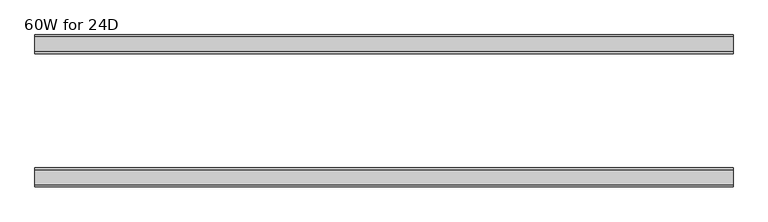
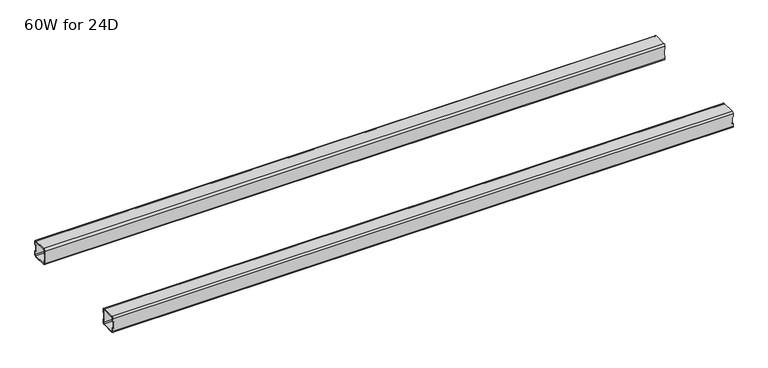
"""IFC4 building model written with IfcOpenShell, lengths in millimetres: furniture geometry, 60W for 24D."""

from ifc_helpers import new_model, si_unit, frame, origin, place, context, project, spatial, polyline, circle_curve, source, transform, mapped, element, save
from ifc_brep_helpers import plane_surface, cylinder_surface, revolved_surface, advanced_brep


def furniture_60w_for_24d_6a51ffb4(model_context):
    return source(origin(), model_context, "Body", "AdvancedBrep", [
        advanced_brep(
        [(1499.0028, -438.5082, 307.276), (1499.0028, -440.5082, 305.276), (1499.0028, -472.5082, 305.276), (1499.0028, -474.5082, 307.276), (1499.0028, -474.5082, 314.776), (1499.0028, -476.5082, 314.776), (1499.0028, -476.5082, 307.276), (1499.0028, -472.5082, 303.276), (1499.0028, -440.5082, 303.276), (1499.0028, -436.5082, 307.276), (1499.0028, -436.5082, 314.776), (1499.0028, -438.5082, 314.776), (1499.0028, -474.5082, 338.9), (1499.0028, -472.5082, 340.9), (1499.0028, -440.5082, 340.9), (1499.0028, -438.5082, 338.9), (1499.0028, -438.5082, 331.4), (1499.0028, -436.5082, 331.4), (1499.0028, -436.5082, 338.9), (1499.0028, -440.5082, 342.9), (1499.0028, -472.5082, 342.9), (1499.0028, -476.5082, 338.9), (1499.0028, -476.5082, 331.4), (1499.0028, -474.5082, 331.4), (22.0, -438.5082, 338.9), (22.0, -440.5082, 340.9), (22.0, -472.5082, 340.9), (22.0, -474.5082, 338.9), (22.0, -474.5082, 331.4), (22.0, -476.5082, 331.4), (22.0, -476.5082, 338.9), (22.0, -472.5082, 342.9), (22.0, -440.5082, 342.9), (22.0, -436.5082, 338.9), (22.0, -436.5082, 331.4), (22.0, -438.5082, 331.4), (22.0, -474.5082, 307.276), (22.0, -472.5082, 305.276), (22.0, -440.5082, 305.276), (22.0, -438.5082, 307.276), (22.0, -438.5082, 314.776), (22.0, -436.5082, 314.776), (22.0, -436.5082, 307.276), (22.0, -440.5082, 303.276), (22.0, -472.5082, 303.276), (22.0, -476.5082, 307.276), (22.0, -476.5082, 314.776), (22.0, -474.5082, 314.776), (23.365, -474.5082, 314.776), (24.0, -474.5082, 315.411), (24.0, -474.5082, 330.765), (23.365, -474.5082, 331.4), (1497.6378, -474.5082, 331.4), (1497.0028, -474.5082, 330.765), (1497.0028, -474.5082, 315.411), (1497.6378, -474.5082, 314.776), (1497.6378, -438.5082, 314.776), (1497.0028, -438.5082, 315.411), (1497.0028, -438.5082, 330.765), (1497.6378, -438.5082, 331.4), (23.365, -438.5082, 331.4), (24.0, -438.5082, 330.765), (24.0, -438.5082, 315.411), (23.365, -438.5082, 314.776), (23.365, -476.5082, 331.4), (24.0, -476.5082, 330.765), (24.0, -476.5082, 315.411), (23.365, -476.5082, 314.776), (1497.6378, -476.5082, 314.776), (1497.0028, -476.5082, 315.411), (1497.0028, -476.5082, 330.765), (1497.6378, -476.5082, 331.4), (1497.6378, -436.5082, 331.4), (1497.0028, -436.5082, 330.765), (1497.0028, -436.5082, 315.411), (1497.6378, -436.5082, 314.776), (23.365, -436.5082, 314.776), (24.0, -436.5082, 315.411), (24.0, -436.5082, 330.765), (23.365, -436.5082, 331.4)],
        [
            (0, 1, circle_curve(frame((1499.0028, -440.5082, 307.276), z_axis=(-1.0, 0.0, 0.0), x_axis=(0.0, 1.0, 0.0)), 2.0)),
            (1, 2),
            (2, 3, circle_curve(frame((1499.0028, -472.5082, 307.276), z_axis=(-1.0, 0.0, 0.0), x_axis=(0.0, 1.0, 0.0)), 2.0)),
            (3, 4),
            (4, 5),
            (5, 6),
            (6, 7, circle_curve(frame((1499.0028, -472.5082, 307.276), z_axis=(1.0, 0.0, 0.0), x_axis=(0.0, 1.0, 0.0)), 4.0)),
            (7, 8),
            (8, 9, circle_curve(frame((1499.0028, -440.5082, 307.276), z_axis=(1.0, 0.0, 0.0), x_axis=(0.0, 1.0, 0.0)), 4.0)),
            (9, 10),
            (10, 11),
            (11, 0),
            (12, 13, circle_curve(frame((1499.0028, -472.5082, 338.9), z_axis=(-1.0, 0.0, 0.0), x_axis=(0.0, 1.0, 0.0)), 2.0)),
            (13, 14),
            (14, 15, circle_curve(frame((1499.0028, -440.5082, 338.9), z_axis=(-1.0, 0.0, 0.0), x_axis=(0.0, 1.0, 0.0)), 2.0)),
            (15, 16),
            (16, 17),
            (17, 18),
            (18, 19, circle_curve(frame((1499.0028, -440.5082, 338.9), z_axis=(1.0, 0.0, 0.0), x_axis=(0.0, 1.0, 0.0)), 4.0)),
            (19, 20),
            (20, 21, circle_curve(frame((1499.0028, -472.5082, 338.9), z_axis=(1.0, 0.0, 0.0), x_axis=(0.0, 1.0, 0.0)), 4.0)),
            (21, 22),
            (22, 23),
            (23, 12),
            (24, 25, circle_curve(frame((22.0, -440.5082, 338.9), z_axis=(1.0, 0.0, 0.0), x_axis=(0.0, 1.0, 0.0)), 2.0)),
            (25, 26),
            (26, 27, circle_curve(frame((22.0, -472.5082, 338.9), z_axis=(1.0, 0.0, 0.0), x_axis=(0.0, 1.0, 0.0)), 2.0)),
            (27, 28),
            (28, 29),
            (29, 30),
            (30, 31, circle_curve(frame((22.0, -472.5082, 338.9), z_axis=(-1.0, 0.0, 0.0), x_axis=(0.0, 1.0, 0.0)), 4.0)),
            (31, 32),
            (32, 33, circle_curve(frame((22.0, -440.5082, 338.9), z_axis=(-1.0, 0.0, 0.0), x_axis=(0.0, 1.0, 0.0)), 4.0)),
            (33, 34),
            (34, 35),
            (35, 24),
            (36, 37, circle_curve(frame((22.0, -472.5082, 307.276), z_axis=(1.0, 0.0, 0.0), x_axis=(0.0, 1.0, 0.0)), 2.0)),
            (37, 38),
            (38, 39, circle_curve(frame((22.0, -440.5082, 307.276), z_axis=(1.0, 0.0, 0.0), x_axis=(0.0, 1.0, 0.0)), 2.0)),
            (39, 40),
            (40, 41),
            (41, 42),
            (42, 43, circle_curve(frame((22.0, -440.5082, 307.276), z_axis=(-1.0, 0.0, 0.0), x_axis=(0.0, 1.0, 0.0)), 4.0)),
            (43, 44),
            (44, 45, circle_curve(frame((22.0, -472.5082, 307.276), z_axis=(-1.0, 0.0, 0.0), x_axis=(0.0, 1.0, 0.0)), 4.0)),
            (45, 46),
            (46, 47),
            (47, 36),
            (0, 39),
            (38, 1),
            (37, 2),
            (36, 3),
            (47, 48),
            (48, 49, circle_curve(frame((23.365, -474.5082, 315.411), z_axis=(0.0, -1.0, 0.0), x_axis=(1.0, 0.0, 0.0)), 0.635)),
            (49, 50),
            (50, 51, circle_curve(frame((23.365, -474.5082, 330.765), z_axis=(0.0, -1.0, 0.0), x_axis=(1.0, 0.0, 0.0)), 0.635)),
            (51, 28),
            (27, 12),
            (23, 52),
            (52, 53, circle_curve(frame((1497.6378, -474.5082, 330.765), z_axis=(0.0, -1.0, 0.0), x_axis=(1.0, 0.0, 0.0)), 0.635)),
            (53, 54),
            (54, 55, circle_curve(frame((1497.6378, -474.5082, 315.411), z_axis=(0.0, -1.0, 0.0), x_axis=(1.0, 0.0, 0.0)), 0.635)),
            (55, 4),
            (26, 13),
            (25, 14),
            (24, 15),
            (11, 56),
            (56, 57, circle_curve(frame((1497.6378, -438.5082, 315.411), z_axis=(0.0, 1.0, 0.0), x_axis=(1.0, 0.0, 0.0)), 0.635)),
            (57, 58),
            (58, 59, circle_curve(frame((1497.6378, -438.5082, 330.765), z_axis=(0.0, 1.0, 0.0), x_axis=(1.0, 0.0, 0.0)), 0.635)),
            (59, 16),
            (35, 60),
            (60, 61, circle_curve(frame((23.365, -438.5082, 330.765), z_axis=(0.0, 1.0, 0.0), x_axis=(1.0, 0.0, 0.0)), 0.635)),
            (61, 62),
            (62, 63, circle_curve(frame((23.365, -438.5082, 315.411), z_axis=(0.0, 1.0, 0.0), x_axis=(1.0, 0.0, 0.0)), 0.635)),
            (63, 40),
            (18, 33),
            (32, 19),
            (31, 20),
            (30, 21),
            (29, 64),
            (64, 65, circle_curve(frame((23.365, -476.5082, 330.765), z_axis=(0.0, 1.0, 0.0), x_axis=(1.0, 0.0, 0.0)), 0.635)),
            (65, 66),
            (66, 67, circle_curve(frame((23.365, -476.5082, 315.411), z_axis=(0.0, 1.0, 0.0), x_axis=(1.0, 0.0, 0.0)), 0.635)),
            (67, 46),
            (45, 6),
            (5, 68),
            (68, 69, circle_curve(frame((1497.6378, -476.5082, 315.411), z_axis=(0.0, 1.0, 0.0), x_axis=(1.0, 0.0, 0.0)), 0.635)),
            (69, 70),
            (70, 71, circle_curve(frame((1497.6378, -476.5082, 330.765), z_axis=(0.0, 1.0, 0.0), x_axis=(1.0, 0.0, 0.0)), 0.635)),
            (71, 22),
            (44, 7),
            (43, 8),
            (42, 9),
            (17, 72),
            (72, 73, circle_curve(frame((1497.6378, -436.5082, 330.765), z_axis=(0.0, -1.0, 0.0), x_axis=(1.0, 0.0, 0.0)), 0.635)),
            (73, 74),
            (74, 75, circle_curve(frame((1497.6378, -436.5082, 315.411), z_axis=(0.0, -1.0, 0.0), x_axis=(1.0, 0.0, 0.0)), 0.635)),
            (75, 10),
            (41, 76),
            (76, 77, circle_curve(frame((23.365, -436.5082, 315.411), z_axis=(0.0, -1.0, 0.0), x_axis=(1.0, 0.0, 0.0)), 0.635)),
            (77, 78),
            (78, 79, circle_curve(frame((23.365, -436.5082, 330.765), z_axis=(0.0, -1.0, 0.0), x_axis=(1.0, 0.0, 0.0)), 0.635)),
            (79, 34),
            (71, 52),
            (59, 72),
            (70, 53),
            (58, 73),
            (69, 54),
            (57, 74),
            (68, 55),
            (56, 75),
            (51, 64),
            (79, 60),
            (67, 48),
            (63, 76),
            (66, 49),
            (62, 77),
            (65, 50),
            (61, 78),
        ],
        [
            plane_surface(frame((1499.0028, -438.5082, 307.276), z_axis=(1.0, 0.0, 0.0), x_axis=(0.0, 0.0, -1.0))),
            plane_surface(frame((22.0, -438.5082, 307.276), z_axis=(-1.0, 0.0, 0.0), x_axis=(0.0, 0.0, 1.0))),
            revolved_surface(polyline([(22.0, -438.5082, 307.276), (1499.0028, -438.5082, 307.276)]), (22.0, -440.5082, 307.276), (-1.0, 0.0, 0.0)),
            plane_surface(frame((1499.0028, -440.5082, 305.276), z_axis=(0.0, -5.196493235738685e-12, 1.0), x_axis=(-1.0, 0.0, 0.0))),
            revolved_surface(polyline([(22.0, -470.5082, 307.276), (1499.0028, -470.5082, 307.276)]), (22.0, -472.5082, 307.276), (-1.0, 0.0, 0.0)),
            plane_surface(frame((1499.0028, -474.5082, 307.276), z_axis=(0.0, 1.0, 0.0), x_axis=(-1.0, 0.0, 0.0))),
            revolved_surface(polyline([(22.0, -470.5082, 338.9), (1499.0028, -470.5082, 338.9)]), (22.0, -472.5082, 338.9), (-1.0, 0.0, 0.0)),
            plane_surface(frame((1499.0028, -472.5082, 340.9), z_axis=(0.0, 0.0, -1.0), x_axis=(-1.0, 0.0, 0.0))),
            revolved_surface(polyline([(22.0, -438.5082, 338.9), (1499.0028, -438.5082, 338.9)]), (22.0, -440.5082, 338.9), (-1.0, 0.0, 0.0)),
            plane_surface(frame((1499.0028, -438.5082, 338.9), z_axis=(0.0, -1.0, 0.0), x_axis=(-1.0, 0.0, 0.0))),
            cylinder_surface(frame((0.0, -440.5082, 338.9), z_axis=(1.0, 0.0, 0.0), x_axis=(0.0, 1.0, 0.0)), 4.0),
            plane_surface(frame((1499.0028, -440.5082, 342.9), z_axis=(0.0, 0.0, 1.0), x_axis=(-1.0, 0.0, 0.0))),
            cylinder_surface(frame((0.0, -472.5082, 338.9), z_axis=(1.0, 0.0, 0.0), x_axis=(0.0, 1.0, 0.0)), 4.0),
            plane_surface(frame((1499.0028, -476.5082, 338.9), z_axis=(0.0, -1.0, 0.0), x_axis=(-1.0, 0.0, 0.0))),
            cylinder_surface(frame((0.0, -472.5082, 307.276), z_axis=(1.0, 0.0, 0.0), x_axis=(0.0, 1.0, 0.0)), 4.0),
            plane_surface(frame((1499.0028, -472.5082, 303.276), z_axis=(0.0, 0.0, -1.0), x_axis=(-1.0, 0.0, 0.0))),
            cylinder_surface(frame((0.0, -440.5082, 307.276), z_axis=(1.0, 0.0, 0.0), x_axis=(0.0, 1.0, 0.0)), 4.0),
            plane_surface(frame((1499.0028, -436.5082, 307.276), z_axis=(0.0, 1.0, -5.2518576384018155e-12), x_axis=(-1.0, 0.0, 0.0))),
            plane_surface(frame((1499.0028, -476.5082, 331.4), z_axis=(1.1255075016272582e-11, 0.0, -1.0), x_axis=(0.0, 1.0, 0.0))),
            revolved_surface(polyline([(1498.2728, -476.5082, 330.765), (1498.2728, -474.5082, 330.765)]), (1497.6378, -436.5082, 330.765), (0.0, -1.0, 0.0)),
            revolved_surface(polyline([(1498.2728, -438.5082, 330.765), (1498.2728, -436.5082, 330.765)]), (1497.6378, -436.5082, 330.765), (0.0, -1.0, 0.0)),
            plane_surface(frame((1497.0028, -476.5082, 330.765), z_axis=(1.0, 0.0, 0.0), x_axis=(0.0, 1.0, 0.0))),
            revolved_surface(polyline([(1498.2728, -476.5082, 315.411), (1498.2728, -474.5082, 315.411)]), (1497.6378, -436.5082, 315.411), (0.0, -1.0, 0.0)),
            revolved_surface(polyline([(1498.2728, -438.5082, 315.411), (1498.2728, -436.5082, 315.411)]), (1497.6378, -436.5082, 315.411), (0.0, -1.0, 0.0)),
            plane_surface(frame((1497.6378, -476.5082, 314.776), z_axis=(0.0, 0.0, 1.0), x_axis=(0.0, 1.0, 0.0))),
            plane_surface(frame((23.365, -476.5082, 331.4), z_axis=(0.0, 0.0, -1.0), x_axis=(0.0, 1.0, 0.0))),
            plane_surface(frame((22.0, -476.5082, 314.776), z_axis=(-1.1453402329138697e-11, 0.0, 1.0), x_axis=(0.0, 1.0, 0.0))),
            revolved_surface(polyline([(24.0, -476.5082, 315.411), (24.0, -474.5082, 315.411)]), (23.365, -436.5082, 315.411), (0.0, -1.0, 0.0)),
            revolved_surface(polyline([(24.0, -438.5082, 315.411), (24.0, -436.5082, 315.411)]), (23.365, -436.5082, 315.411), (0.0, -1.0, 0.0)),
            plane_surface(frame((24.0, -476.5082, 315.411), z_axis=(-1.0, 0.0, 0.0), x_axis=(0.0, 1.0, 0.0))),
            revolved_surface(polyline([(24.0, -476.5082, 330.765), (24.0, -474.5082, 330.765)]), (23.365, -436.5082, 330.765), (0.0, -1.0, 0.0)),
            revolved_surface(polyline([(24.0, -438.5082, 330.765), (24.0, -436.5082, 330.765)]), (23.365, -436.5082, 330.765), (0.0, -1.0, 0.0)),
        ],
        [
            (0, [[1, 2, 3, 4, 5, 6, 7, 8, 9, 10, 11, 12]]),
            (0, [[13, 14, 15, 16, 17, 18, 19, 20, 21, 22, 23, 24]]),
            (1, [[25, 26, 27, 28, 29, 30, 31, 32, 33, 34, 35, 36]]),
            (1, [[37, 38, 39, 40, 41, 42, 43, 44, 45, 46, 47, 48]]),
            (2, [[-1, 49, -39, 50]]),
            (3, [[-2, -50, -38, 51]]),
            (4, [[-3, -51, -37, 52]]),
            (5, [[-52, -48, 53, 54, 55, 56, 57, -28, 58, -24, 59, 60, 61, 62, 63, -4]]),
            (6, [[-13, -58, -27, 64]]),
            (7, [[-14, -64, -26, 65]]),
            (8, [[-15, -65, -25, 66]]),
            (9, [[-49, -12, 67, 68, 69, 70, 71, -16, -66, -36, 72, 73, 74, 75, 76, -40]]),
            (10, [[-19, 77, -33, 78]]),
            (11, [[-20, -78, -32, 79]]),
            (12, [[-21, -79, -31, 80]]),
            (13, [[-80, -30, 81, 82, 83, 84, 85, -46, 86, -6, 87, 88, 89, 90, 91, -22]]),
            (14, [[-7, -86, -45, 92]]),
            (15, [[-8, -92, -44, 93]]),
            (16, [[-9, -93, -43, 94]]),
            (17, [[-77, -18, 95, 96, 97, 98, 99, -10, -94, -42, 100, 101, 102, 103, 104, -34]]),
            (18, [[105, -59, -23, -91]]),
            (18, [[106, -95, -17, -71]]),
            (19, [[-105, -90, 107, -60]]),
            (20, [[-106, -70, 108, -96]]),
            (21, [[-107, -89, 109, -61]]),
            (21, [[-108, -69, 110, -97]]),
            (22, [[-109, -88, 111, -62]]),
            (23, [[-110, -68, 112, -98]]),
            (24, [[-111, -87, -5, -63]]),
            (24, [[-112, -67, -11, -99]]),
            (25, [[113, -81, -29, -57]]),
            (25, [[114, -72, -35, -104]]),
            (26, [[115, -53, -47, -85]]),
            (26, [[116, -100, -41, -76]]),
            (27, [[-115, -84, 117, -54]]),
            (28, [[-116, -75, 118, -101]]),
            (29, [[-117, -83, 119, -55]]),
            (29, [[-118, -74, 120, -102]]),
            (30, [[-113, -56, -119, -82]]),
            (31, [[-114, -103, -120, -73]]),
        ],
    ),
        advanced_brep(
        [(1499.0028, -192.9996202, 338.9), (1499.0028, -190.9996202, 340.9), (1499.0028, -159.0003798, 340.9), (1499.0028, -157.0003798, 338.9), (1499.0028, -157.0003798, 331.4), (1499.0028, -155.0003798, 331.4), (1499.0028, -155.0003798, 338.9), (1499.0028, -159.0003798, 342.9), (1499.0028, -190.9996202, 342.9), (1499.0028, -194.9996202, 338.9), (1499.0028, -194.9996202, 331.4), (1499.0028, -192.9996202, 331.4), (1499.0028, -157.0003798, 307.276), (1499.0028, -159.0003798, 305.276), (1499.0028, -190.9996202, 305.276), (1499.0028, -192.9996202, 307.276), (1499.0028, -192.9996202, 314.776), (1499.0028, -194.9996202, 314.776), (1499.0028, -194.9996202, 307.276), (1499.0028, -190.9996202, 303.276), (1499.0028, -159.0003798, 303.276), (1499.0028, -155.0003798, 307.276), (1499.0028, -155.0003798, 314.776), (1499.0028, -157.0003798, 314.776), (22.0, -192.9996202, 307.276), (22.0, -190.9996202, 305.276), (22.0, -159.0003798, 305.276), (22.0, -157.0003798, 307.276), (22.0, -157.0003798, 314.776), (22.0, -155.0003798, 314.776), (22.0, -155.0003798, 307.276), (22.0, -159.0003798, 303.276), (22.0, -190.9996202, 303.276), (22.0, -194.9996202, 307.276), (22.0, -194.9996202, 314.776), (22.0, -192.9996202, 314.776), (22.0, -157.0003798, 338.9), (22.0, -159.0003798, 340.9), (22.0, -190.9996202, 340.9), (22.0, -192.9996202, 338.9), (22.0, -192.9996202, 331.4), (22.0, -194.9996202, 331.4), (22.0, -194.9996202, 338.9), (22.0, -190.9996202, 342.9), (22.0, -159.0003798, 342.9), (22.0, -155.0003798, 338.9), (22.0, -155.0003798, 331.4), (22.0, -157.0003798, 331.4), (1497.6378, -157.0003798, 314.776), (1497.0028, -157.0003798, 315.411), (1497.0028, -157.0003798, 330.765), (1497.6378, -157.0003798, 331.4), (23.365, -157.0003798, 331.4), (24.0, -157.0003798, 330.765), (24.0, -157.0003798, 315.411), (23.365, -157.0003798, 314.776), (23.365, -192.9996202, 314.776), (24.0, -192.9996202, 315.411), (24.0, -192.9996202, 330.765), (23.365, -192.9996202, 331.4), (1497.6378, -192.9996202, 331.4), (1497.0028, -192.9996202, 330.765), (1497.0028, -192.9996202, 315.411), (1497.6378, -192.9996202, 314.776), (1497.6378, -155.0003798, 331.4), (1497.0028, -155.0003798, 330.765), (1497.0028, -155.0003798, 315.411), (1497.6378, -155.0003798, 314.776), (23.365, -155.0003798, 314.776), (24.0, -155.0003798, 315.411), (24.0, -155.0003798, 330.765), (23.365, -155.0003798, 331.4), (23.365, -194.9996202, 331.4), (24.0, -194.9996202, 330.765), (24.0, -194.9996202, 315.411), (23.365, -194.9996202, 314.776), (1497.6378, -194.9996202, 314.776), (1497.0028, -194.9996202, 315.411), (1497.0028, -194.9996202, 330.765), (1497.6378, -194.9996202, 331.4)],
        [
            (0, 1, circle_curve(frame((1499.0028, -190.9996202, 338.9), z_axis=(-1.0, 0.0, 0.0), x_axis=(0.0, -1.0, 0.0)), 2.0)),
            (1, 2),
            (2, 3, circle_curve(frame((1499.0028, -159.0003798, 338.9), z_axis=(-1.0, 0.0, 0.0), x_axis=(0.0, -1.0, 0.0)), 2.0)),
            (3, 4),
            (4, 5),
            (5, 6),
            (6, 7, circle_curve(frame((1499.0028, -159.0003798, 338.9), z_axis=(1.0, 0.0, 0.0), x_axis=(0.0, -1.0, 0.0)), 4.0)),
            (7, 8),
            (8, 9, circle_curve(frame((1499.0028, -190.9996202, 338.9), z_axis=(1.0, 0.0, 0.0), x_axis=(0.0, -1.0, 0.0)), 4.0)),
            (9, 10),
            (10, 11),
            (11, 0),
            (12, 13, circle_curve(frame((1499.0028, -159.0003798, 307.276), z_axis=(-1.0, 0.0, 0.0), x_axis=(0.0, -1.0, 0.0)), 2.0)),
            (13, 14),
            (14, 15, circle_curve(frame((1499.0028, -190.9996202, 307.276), z_axis=(-1.0, 0.0, 0.0), x_axis=(0.0, -1.0, 0.0)), 2.0)),
            (15, 16),
            (16, 17),
            (17, 18),
            (18, 19, circle_curve(frame((1499.0028, -190.9996202, 307.276), z_axis=(1.0, 0.0, 0.0), x_axis=(0.0, -1.0, 0.0)), 4.0)),
            (19, 20),
            (20, 21, circle_curve(frame((1499.0028, -159.0003798, 307.276), z_axis=(1.0, 0.0, 0.0), x_axis=(0.0, -1.0, 0.0)), 4.0)),
            (21, 22),
            (22, 23),
            (23, 12),
            (24, 25, circle_curve(frame((22.0, -190.9996202, 307.276), z_axis=(1.0, 0.0, 0.0), x_axis=(0.0, -1.0, 0.0)), 2.0)),
            (25, 26),
            (26, 27, circle_curve(frame((22.0, -159.0003798, 307.276), z_axis=(1.0, 0.0, 0.0), x_axis=(0.0, -1.0, 0.0)), 2.0)),
            (27, 28),
            (28, 29),
            (29, 30),
            (30, 31, circle_curve(frame((22.0, -159.0003798, 307.276), z_axis=(-1.0, 0.0, 0.0), x_axis=(0.0, -1.0, 0.0)), 4.0)),
            (31, 32),
            (32, 33, circle_curve(frame((22.0, -190.9996202, 307.276), z_axis=(-1.0, 0.0, 0.0), x_axis=(0.0, -1.0, 0.0)), 4.0)),
            (33, 34),
            (34, 35),
            (35, 24),
            (36, 37, circle_curve(frame((22.0, -159.0003798, 338.9), z_axis=(1.0, 0.0, 0.0), x_axis=(0.0, -1.0, 0.0)), 2.0)),
            (37, 38),
            (38, 39, circle_curve(frame((22.0, -190.9996202, 338.9), z_axis=(1.0, 0.0, 0.0), x_axis=(0.0, -1.0, 0.0)), 2.0)),
            (39, 40),
            (40, 41),
            (41, 42),
            (42, 43, circle_curve(frame((22.0, -190.9996202, 338.9), z_axis=(-1.0, 0.0, 0.0), x_axis=(0.0, -1.0, 0.0)), 4.0)),
            (43, 44),
            (44, 45, circle_curve(frame((22.0, -159.0003798, 338.9), z_axis=(-1.0, 0.0, 0.0), x_axis=(0.0, -1.0, 0.0)), 4.0)),
            (45, 46),
            (46, 47),
            (47, 36),
            (14, 25),
            (24, 15),
            (13, 26),
            (12, 27),
            (23, 48),
            (48, 49, circle_curve(frame((1497.6378, -157.0003798, 315.411), z_axis=(0.0, 1.0, 0.0), x_axis=(1.0, 0.0, 0.0)), 0.635)),
            (49, 50),
            (50, 51, circle_curve(frame((1497.6378, -157.0003798, 330.765), z_axis=(0.0, 1.0, 0.0), x_axis=(1.0, 0.0, 0.0)), 0.635)),
            (51, 4),
            (3, 36),
            (47, 52),
            (52, 53, circle_curve(frame((23.365, -157.0003798, 330.765), z_axis=(0.0, 1.0, 0.0), x_axis=(1.0, 0.0, 0.0)), 0.635)),
            (53, 54),
            (54, 55, circle_curve(frame((23.365, -157.0003798, 315.411), z_axis=(0.0, 1.0, 0.0), x_axis=(1.0, 0.0, 0.0)), 0.635)),
            (55, 28),
            (2, 37),
            (1, 38),
            (0, 39),
            (35, 56),
            (56, 57, circle_curve(frame((23.365, -192.9996202, 315.411), z_axis=(0.0, -1.0, 0.0), x_axis=(1.0, 0.0, 0.0)), 0.635)),
            (57, 58),
            (58, 59, circle_curve(frame((23.365, -192.9996202, 330.765), z_axis=(0.0, -1.0, 0.0), x_axis=(1.0, 0.0, 0.0)), 0.635)),
            (59, 40),
            (11, 60),
            (60, 61, circle_curve(frame((1497.6378, -192.9996202, 330.765), z_axis=(0.0, -1.0, 0.0), x_axis=(1.0, 0.0, 0.0)), 0.635)),
            (61, 62),
            (62, 63, circle_curve(frame((1497.6378, -192.9996202, 315.411), z_axis=(0.0, -1.0, 0.0), x_axis=(1.0, 0.0, 0.0)), 0.635)),
            (63, 16),
            (8, 43),
            (42, 9),
            (7, 44),
            (6, 45),
            (5, 64),
            (64, 65, circle_curve(frame((1497.6378, -155.0003798, 330.765), z_axis=(0.0, -1.0, 0.0), x_axis=(1.0, 0.0, 0.0)), 0.635)),
            (65, 66),
            (66, 67, circle_curve(frame((1497.6378, -155.0003798, 315.411), z_axis=(0.0, -1.0, 0.0), x_axis=(1.0, 0.0, 0.0)), 0.635)),
            (67, 22),
            (21, 30),
            (29, 68),
            (68, 69, circle_curve(frame((23.365, -155.0003798, 315.411), z_axis=(0.0, -1.0, 0.0), x_axis=(1.0, 0.0, 0.0)), 0.635)),
            (69, 70),
            (70, 71, circle_curve(frame((23.365, -155.0003798, 330.765), z_axis=(0.0, -1.0, 0.0), x_axis=(1.0, 0.0, 0.0)), 0.635)),
            (71, 46),
            (20, 31),
            (19, 32),
            (18, 33),
            (41, 72),
            (72, 73, circle_curve(frame((23.365, -194.9996202, 330.765), z_axis=(0.0, 1.0, 0.0), x_axis=(1.0, 0.0, 0.0)), 0.635)),
            (73, 74),
            (74, 75, circle_curve(frame((23.365, -194.9996202, 315.411), z_axis=(0.0, 1.0, 0.0), x_axis=(1.0, 0.0, 0.0)), 0.635)),
            (75, 34),
            (17, 76),
            (76, 77, circle_curve(frame((1497.6378, -194.9996202, 315.411), z_axis=(0.0, 1.0, 0.0), x_axis=(1.0, 0.0, 0.0)), 0.635)),
            (77, 78),
            (78, 79, circle_curve(frame((1497.6378, -194.9996202, 330.765), z_axis=(0.0, 1.0, 0.0), x_axis=(1.0, 0.0, 0.0)), 0.635)),
            (79, 10),
            (51, 64),
            (79, 60),
            (50, 65),
            (78, 61),
            (49, 66),
            (77, 62),
            (48, 67),
            (76, 63),
            (71, 52),
            (59, 72),
            (55, 68),
            (75, 56),
            (54, 69),
            (74, 57),
            (53, 70),
            (73, 58),
        ],
        [
            plane_surface(frame((1499.0028, -192.9996202, 338.9), z_axis=(1.0, 0.0, 0.0), x_axis=(0.0, 0.0, 1.0))),
            plane_surface(frame((22.0, -192.9996202, 338.9), z_axis=(-1.0, 0.0, 0.0), x_axis=(0.0, 0.0, -1.0))),
            revolved_surface(polyline([(22.0, -192.9996202, 307.276), (1499.0028, -192.9996202, 307.276)]), (22.0, -190.9996202, 307.276), (-1.0, 0.0, 0.0)),
            plane_surface(frame((1499.0028, -159.0003798, 305.276), z_axis=(0.0, -1.0173270604597604e-12, 1.0), x_axis=(-1.0, 0.0, 0.0))),
            revolved_surface(polyline([(22.0, -161.0003798, 307.276), (1499.0028, -161.0003798, 307.276)]), (22.0, -159.0003798, 307.276), (-1.0, 0.0, 0.0)),
            plane_surface(frame((1499.0028, -157.0003798, 338.9), z_axis=(0.0, -1.0, 0.0), x_axis=(-1.0, 0.0, 0.0))),
            revolved_surface(polyline([(22.0, -161.0003798, 338.9), (1499.0028, -161.0003798, 338.9)]), (22.0, -159.0003798, 338.9), (-1.0, 0.0, 0.0)),
            plane_surface(frame((1499.0028, -190.9996202, 340.9), z_axis=(0.0, 0.0, -1.0), x_axis=(-1.0, 0.0, 0.0))),
            revolved_surface(polyline([(22.0, -192.9996202, 338.9), (1499.0028, -192.9996202, 338.9)]), (22.0, -190.9996202, 338.9), (-1.0, 0.0, 0.0)),
            plane_surface(frame((1499.0028, -192.9996202, 307.276), z_axis=(0.0, 1.0, 0.0), x_axis=(-1.0, 0.0, 0.0))),
            cylinder_surface(frame((0.0, -190.9996202, 338.9), z_axis=(1.0, 0.0, 0.0), x_axis=(0.0, -1.0, 0.0)), 4.0),
            plane_surface(frame((1499.0028, -159.0003798, 342.9), z_axis=(0.0, 0.0, 1.0), x_axis=(-1.0, 0.0, 0.0))),
            cylinder_surface(frame((0.0, -159.0003798, 338.9), z_axis=(1.0, 0.0, 0.0), x_axis=(0.0, -1.0, 0.0)), 4.0),
            plane_surface(frame((1499.0028, -155.0003798, 307.276), z_axis=(0.0, 1.0, 0.0), x_axis=(-1.0, 0.0, 0.0))),
            cylinder_surface(frame((0.0, -159.0003798, 307.276), z_axis=(1.0, 0.0, 0.0), x_axis=(0.0, -1.0, 0.0)), 4.0),
            plane_surface(frame((1499.0028, -190.9996202, 303.276), z_axis=(0.0, 0.0, -1.0), x_axis=(-1.0, 0.0, 0.0))),
            cylinder_surface(frame((0.0, -190.9996202, 307.276), z_axis=(1.0, 0.0, 0.0), x_axis=(0.0, -1.0, 0.0)), 4.0),
            plane_surface(frame((1499.0028, -194.9996202, 338.9), z_axis=(0.0, -1.0, 1.0326085209912824e-12), x_axis=(-1.0, 0.0, 0.0))),
            plane_surface(frame((1497.6378, -155.0003798, 331.4), z_axis=(-8.800774516254977e-11, 0.0, -1.0), x_axis=(0.0, -1.0, 0.0))),
            revolved_surface(polyline([(1498.2728, -155.0003798, 330.765), (1498.2728, -157.0003798, 330.765)]), (1497.6378, -194.9996202, 330.765), (0.0, 1.0, 0.0)),
            revolved_surface(polyline([(1498.2728, -192.9996202, 330.765), (1498.2728, -194.9996202, 330.765)]), (1497.6378, -194.9996202, 330.765), (0.0, 1.0, 0.0)),
            plane_surface(frame((1497.0028, -155.0003798, 315.411), z_axis=(1.0, 0.0, 7.599253170607055e-12), x_axis=(0.0, -1.0, 0.0))),
            revolved_surface(polyline([(1498.2728, -155.0003798, 315.411), (1498.2728, -157.0003798, 315.411)]), (1497.6378, -194.9996202, 315.411), (0.0, 1.0, 0.0)),
            revolved_surface(polyline([(1498.2728, -192.9996202, 315.411), (1498.2728, -194.9996202, 315.411)]), (1497.6378, -194.9996202, 315.411), (0.0, 1.0, 0.0)),
            plane_surface(frame((1499.0028, -155.0003798, 314.776), z_axis=(0.0, 0.0, 1.0), x_axis=(0.0, -1.0, 0.0))),
            plane_surface(frame((22.0, -155.0003798, 331.4), z_axis=(0.0, 0.0, -1.0), x_axis=(0.0, -1.0, 0.0))),
            plane_surface(frame((23.365, -155.0003798, 314.776), z_axis=(-5.220966516710678e-11, 0.0, 1.0), x_axis=(0.0, -1.0, 0.0))),
            revolved_surface(polyline([(24.0, -155.0003798, 315.411), (24.0, -157.0003798, 315.411)]), (23.365, -194.9996202, 315.411), (0.0, 1.0, 0.0)),
            revolved_surface(polyline([(24.0, -192.9996202, 315.411), (24.0, -194.9996202, 315.411)]), (23.365, -194.9996202, 315.411), (0.0, 1.0, 0.0)),
            plane_surface(frame((24.0, -155.0003798, 330.765), z_axis=(-1.0, 0.0, 3.528539537747653e-12), x_axis=(0.0, -1.0, 0.0))),
            revolved_surface(polyline([(24.0, -155.0003798, 330.765), (24.0, -157.0003798, 330.765)]), (23.365, -194.9996202, 330.765), (0.0, 1.0, 0.0)),
            revolved_surface(polyline([(24.0, -192.9996202, 330.765), (24.0, -194.9996202, 330.765)]), (23.365, -194.9996202, 330.765), (0.0, 1.0, 0.0)),
        ],
        [
            (0, [[1, 2, 3, 4, 5, 6, 7, 8, 9, 10, 11, 12]]),
            (0, [[13, 14, 15, 16, 17, 18, 19, 20, 21, 22, 23, 24]]),
            (1, [[25, 26, 27, 28, 29, 30, 31, 32, 33, 34, 35, 36]]),
            (1, [[37, 38, 39, 40, 41, 42, 43, 44, 45, 46, 47, 48]]),
            (2, [[-15, 49, -25, 50]]),
            (3, [[-14, 51, -26, -49]]),
            (4, [[-13, 52, -27, -51]]),
            (5, [[-52, -24, 53, 54, 55, 56, 57, -4, 58, -48, 59, 60, 61, 62, 63, -28]]),
            (6, [[-3, 64, -37, -58]]),
            (7, [[-2, 65, -38, -64]]),
            (8, [[-1, 66, -39, -65]]),
            (9, [[-50, -36, 67, 68, 69, 70, 71, -40, -66, -12, 72, 73, 74, 75, 76, -16]]),
            (10, [[-9, 77, -43, 78]]),
            (11, [[-8, 79, -44, -77]]),
            (12, [[-7, 80, -45, -79]]),
            (13, [[-80, -6, 81, 82, 83, 84, 85, -22, 86, -30, 87, 88, 89, 90, 91, -46]]),
            (14, [[-21, 92, -31, -86]]),
            (15, [[-20, 93, -32, -92]]),
            (16, [[-19, 94, -33, -93]]),
            (17, [[-78, -42, 95, 96, 97, 98, 99, -34, -94, -18, 100, 101, 102, 103, 104, -10]]),
            (18, [[105, -81, -5, -57]]),
            (18, [[106, -72, -11, -104]]),
            (19, [[-105, -56, 107, -82]]),
            (20, [[-106, -103, 108, -73]]),
            (21, [[-107, -55, 109, -83]]),
            (21, [[-108, -102, 110, -74]]),
            (22, [[-109, -54, 111, -84]]),
            (23, [[-110, -101, 112, -75]]),
            (24, [[-111, -53, -23, -85]]),
            (24, [[-112, -100, -17, -76]]),
            (25, [[113, -59, -47, -91]]),
            (25, [[114, -95, -41, -71]]),
            (26, [[115, -87, -29, -63]]),
            (26, [[116, -67, -35, -99]]),
            (27, [[-115, -62, 117, -88]]),
            (28, [[-116, -98, 118, -68]]),
            (29, [[-117, -61, 119, -89]]),
            (29, [[-118, -97, 120, -69]]),
            (30, [[-119, -60, -113, -90]]),
            (31, [[-120, -96, -114, -70]]),
        ],
    ),
    ])


if __name__ == "__main__":
    model = new_model("IFC4")
    model_context = context("Model", 3, world=origin())
    ifc_project = project(units=[si_unit("LENGTHUNIT", "METRE", prefix="MILLI")], contexts=[model_context])
    site = spatial("IfcSite", under=ifc_project)
    building = spatial("IfcBuilding", under=site)
    placement = place(None, origin())
    furniture_60w_for_24d_shape = furniture_60w_for_24d_6a51ffb4(model_context)
    element("IfcFurniture", 1, ObjectType="60W for 24D", at=placement, inside=building, context=model_context, shape_type="MappedRepresentation", body=[
        mapped(furniture_60w_for_24d_shape, transform((0.0, 0.0, 0.0), x_axis=(1.0, 0.0, 0.0), y_axis=(0.0, 1.0, 0.0), z_axis=(0.0, 0.0, 1.0))),
    ])
    save(model, "model.ifc")
